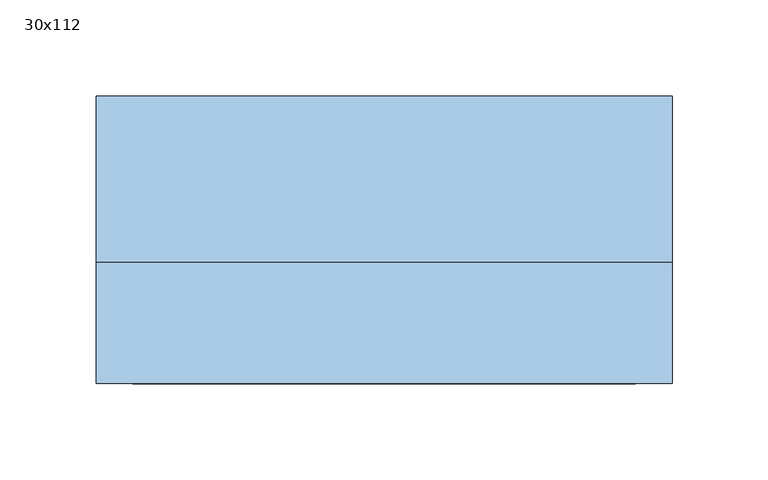
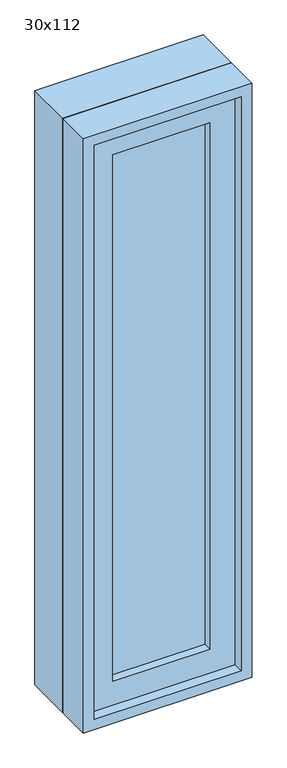
"""IFC4 building model written with IfcOpenShell, lengths in millimetres: window geometry, 30x112."""

from ifc_helpers import new_model, si_unit, frame, origin, place, context, project, spatial, polyline, outline, extrude, source, transform, mapped, element, save


def window_30x112_f6e3c2a7(model_context):
    return source(origin(), model_context, "Body", "SweptSolid", [
        extrude(outline(polyline([(48.4, -27.375), (48.4, -40.075), (-124.6, -40.075), (-124.6, -27.375), (48.4, -27.375)])), frame((0.0, 0.0, 977.9), z_axis=(0.0, 0.0, 1.0), x_axis=(1.0, 0.0, 0.0)), (0.0, 0.0, 1.0), 993.0),
        extrude(outline(polyline([(2015.35, -169.05), (933.45, -169.05), (933.45, 92.85), (2015.35, 92.85), (2015.35, -169.05)]), holes=[polyline([(1970.9, -124.6), (1970.9, 48.4), (977.9, 48.4), (977.9, -124.6), (1970.9, -124.6)])]), frame((0.0, -55.95, 0.0), z_axis=(0.0, 1.0, 0.0), x_axis=(0.0, 0.0, 1.0)), (0.0, 0.0, 1.0), 44.45),
        extrude(outline(polyline([(2034.4, -188.1), (914.4, -188.1), (914.4, 111.9), (2034.4, 111.9), (2034.4, -188.1)]), holes=[polyline([(2002.65, -156.35), (2002.65, 80.15), (946.15, 80.15), (946.15, -156.35), (2002.65, -156.35)])]), frame((0.0, -11.5, 0.0), z_axis=(0.0, 1.0, 0.0), x_axis=(0.0, 0.0, 1.0)), (0.0, 0.0, 1.0), 86.5),
        extrude(outline(polyline([(2034.4, 111.9), (2034.4, -188.1), (914.4, -188.1), (914.4, 111.9), (2034.4, 111.9)]), holes=[polyline([(2015.35, 92.85), (933.45, 92.85), (933.45, -169.05), (2015.35, -169.05), (2015.35, 92.85)])]), frame((0.0, -75.0, 0.0), z_axis=(0.0, 1.0, 0.0), x_axis=(0.0, 0.0, 1.0)), (0.0, 0.0, 1.0), 63.5),
    ])


if __name__ == "__main__":
    model = new_model("IFC4")
    model_context = context("Model", 3, world=origin())
    ifc_project = project(units=[si_unit("LENGTHUNIT", "METRE", prefix="MILLI")], contexts=[model_context])
    site = spatial("IfcSite", under=ifc_project)
    building = spatial("IfcBuilding", under=site)
    placement = place(None, origin())
    window_30x112_shape = window_30x112_f6e3c2a7(model_context)
    element("IfcWindow", 1, ObjectType="30x112", at=placement, inside=building, context=model_context, shape_type="MappedRepresentation", body=[
        mapped(window_30x112_shape, transform((0.0, 0.0, 0.0), x_axis=(1.0, 0.0, 0.0), y_axis=(0.0, 1.0, 0.0), z_axis=(0.0, 0.0, 1.0))),
    ])
    save(model, "model.ifc")
